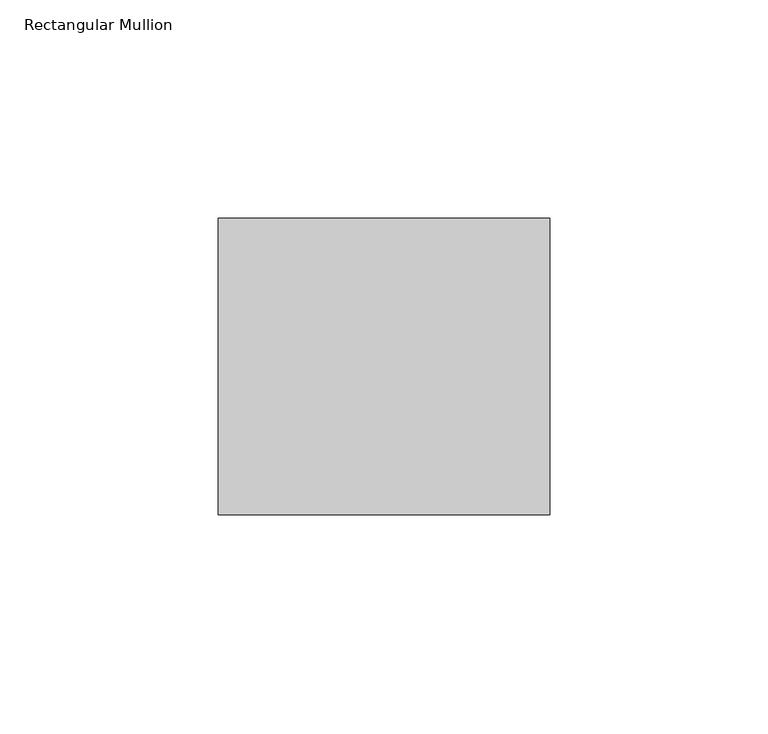
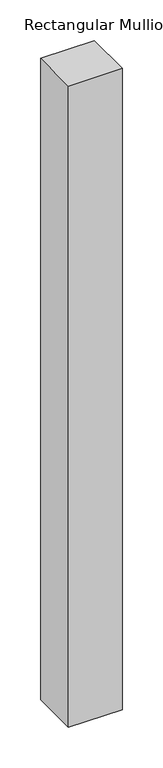
"""IFC4 building model written with IfcOpenShell, lengths in millimetres: member geometry, Rectangular Mullion."""

from ifc_helpers import new_model, si_unit, frame, origin, place, context, project, spatial, polyline, outline, extrude, source, transform, mapped, element, save


def rectangular_mullion_5c4add0c(model_context):
    return source(origin(), model_context, "Body", "SweptSolid", [
        extrude(outline(polyline([(38.0, 68.0), (38.0, 0.0), (-38.0, 0.0), (-38.0, 68.0), (38.0, 68.0)])), frame((0.0, 0.0, -961.0), z_axis=(0.0, 0.0, 1.0), x_axis=(1.0, 0.0, 0.0)), (0.0, 0.0, 1.0), 961.0),
    ])


if __name__ == "__main__":
    model = new_model("IFC4")
    model_context = context("Model", 3, world=origin())
    ifc_project = project(units=[si_unit("LENGTHUNIT", "METRE", prefix="MILLI")], contexts=[model_context])
    site = spatial("IfcSite", under=ifc_project)
    building = spatial("IfcBuilding", under=site)
    placement = place(None, origin())
    rectangular_mullion_shape = rectangular_mullion_5c4add0c(model_context)
    element("IfcMember", 1, ObjectType="Rectangular Mullion", at=placement, inside=building, context=model_context, shape_type="MappedRepresentation", body=[
        mapped(rectangular_mullion_shape, transform((0.0, 0.0, 0.0), x_axis=(1.0, 0.0, 0.0), y_axis=(0.0, 1.0, 0.0), z_axis=(0.0, 0.0, 1.0))),
    ])
    save(model, "model.ifc")
